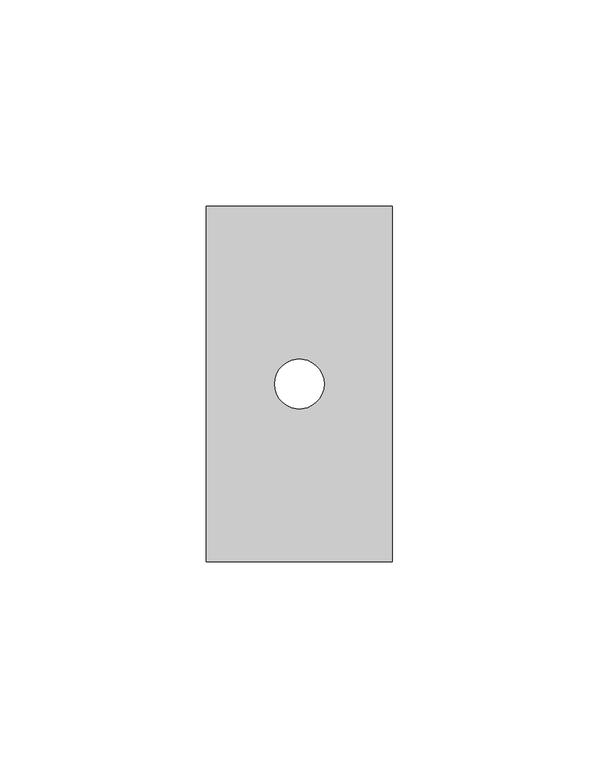
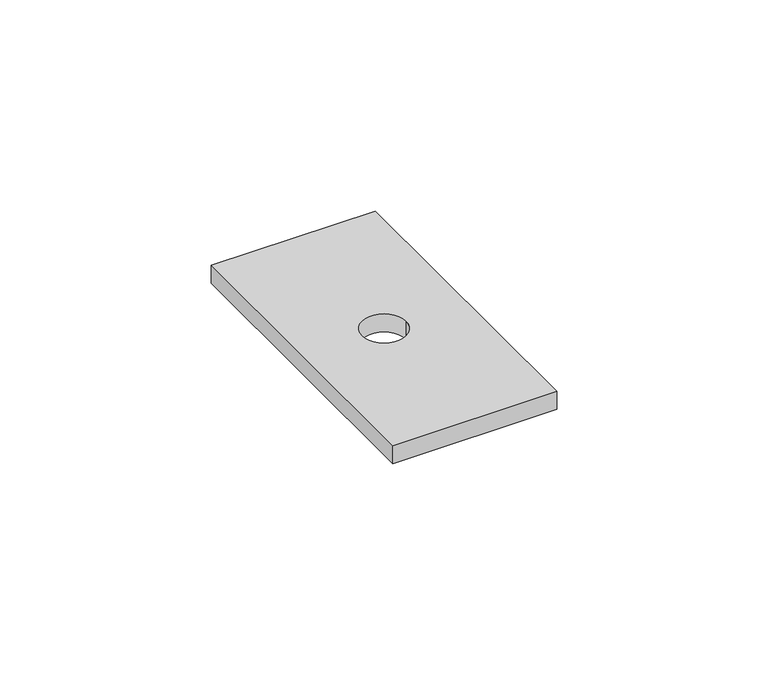
"""IFC4 building model written with IfcOpenShell, lengths in millimetres: proxy geometry."""

from ifc_helpers import new_model, si_unit, point, frame, frame_2d, origin, place, context, project, spatial, polyline, circle_curve, trimmed, segment, composite_curve, outline, extrude, source, transform, mapped, element, save


def electrical_fixtures_ea103e0e(model_context):
    return source(origin(), model_context, "Body", "SweptSolid", [
        extrude(outline(polyline([(0.0, 0.0), (0.0, 86.0), (45.0, 86.0), (45.0, 0.0), (0.0, 0.0)]), holes=[composite_curve([segment(trimmed(circle_curve(frame_2d((22.5, 43.0)), 6.0), [point((16.5, 43.0))], [point((28.5, 43.0))], True, "CARTESIAN"), True, "CONTINUOUS"), segment(trimmed(circle_curve(frame_2d((22.5, 43.0)), 6.0), [point((28.5, 43.0))], [point((16.5, 43.0))], True, "CARTESIAN"), True, "CONTINUOUS")], self_intersect=False)]), frame((0.0, 0.0, 5.5), z_axis=(0.0, 0.0, 1.0), x_axis=(1.0, 0.0, 0.0)), (0.0, 0.0, 1.0), 5.2),
    ])


if __name__ == "__main__":
    model = new_model("IFC4")
    model_context = context("Model", 3, world=origin())
    ifc_project = project(units=[si_unit("LENGTHUNIT", "METRE", prefix="MILLI")], contexts=[model_context])
    site = spatial("IfcSite", under=ifc_project)
    building = spatial("IfcBuilding", under=site)
    placement = place(None, origin())
    electrical_fixtures_shape = electrical_fixtures_ea103e0e(model_context)
    element("IfcBuildingElementProxy", 1, Name="Electrical Fixtures", at=placement, inside=building, context=model_context, shape_type="MappedRepresentation", body=[
        mapped(electrical_fixtures_shape, transform((0.0, 0.0, 0.0), x_axis=(1.0, 0.0, 0.0), y_axis=(0.0, 1.0, 0.0), z_axis=(0.0, 0.0, 1.0))),
    ])
    save(model, "model.ifc")
